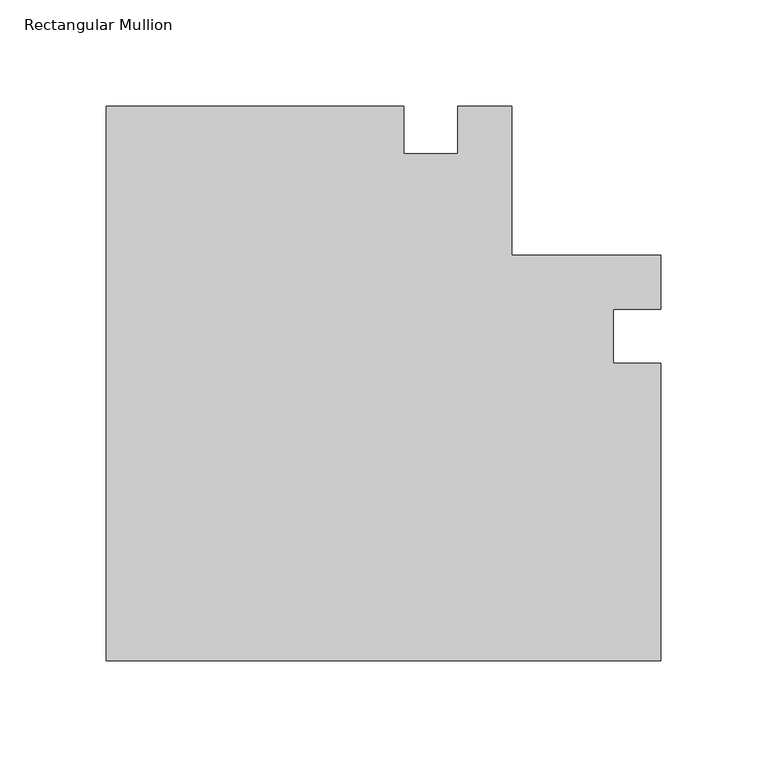
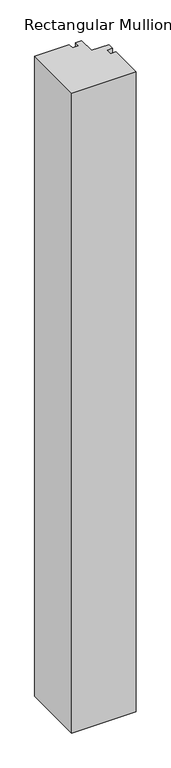
"""IFC4 building model written with IfcOpenShell, lengths in millimetres: member geometry, Rectangular Mullion."""

from ifc_helpers import new_model, si_unit, frame, origin, place, context, project, spatial, polyline, outline, extrude, source, transform, mapped, element, save


def rectangular_mullion_fdce0e2d(model_context):
    return source(origin(), model_context, "Body", "SweptSolid", [
        extrude(outline(polyline([(-120.6499944, 0.0), (-120.6499944, -22.2248868), (-95.229714, -22.2248868), (-95.229714, 0.0), (-69.85, 0.0), (-69.85, -69.85), (0.0, -69.85), (0.0, -95.2190662), (-22.2248868, -95.2190662), (-22.2248868, -120.6499944), (0.0, -120.6499944), (0.0, -260.35), (-260.35, -260.35), (-260.35, 0.0), (-120.6499944, 0.0)])), frame((0.0, 0.0, -2743.2), z_axis=(0.0, 0.0, 1.0), x_axis=(1.0, 0.0, 0.0)), (0.0, 0.0, 1.0), 2743.2),
    ])


if __name__ == "__main__":
    model = new_model("IFC4")
    model_context = context("Model", 3, world=origin())
    ifc_project = project(units=[si_unit("LENGTHUNIT", "METRE", prefix="MILLI")], contexts=[model_context])
    site = spatial("IfcSite", under=ifc_project)
    building = spatial("IfcBuilding", under=site)
    placement = place(None, origin())
    rectangular_mullion_shape = rectangular_mullion_fdce0e2d(model_context)
    element("IfcMember", 1, ObjectType="Rectangular Mullion", at=placement, inside=building, context=model_context, shape_type="MappedRepresentation", body=[
        mapped(rectangular_mullion_shape, transform((0.0, 0.0, 0.0), x_axis=(1.0, 0.0, 0.0), y_axis=(0.0, 1.0, 0.0), z_axis=(0.0, 0.0, 1.0))),
    ])
    save(model, "model.ifc")
